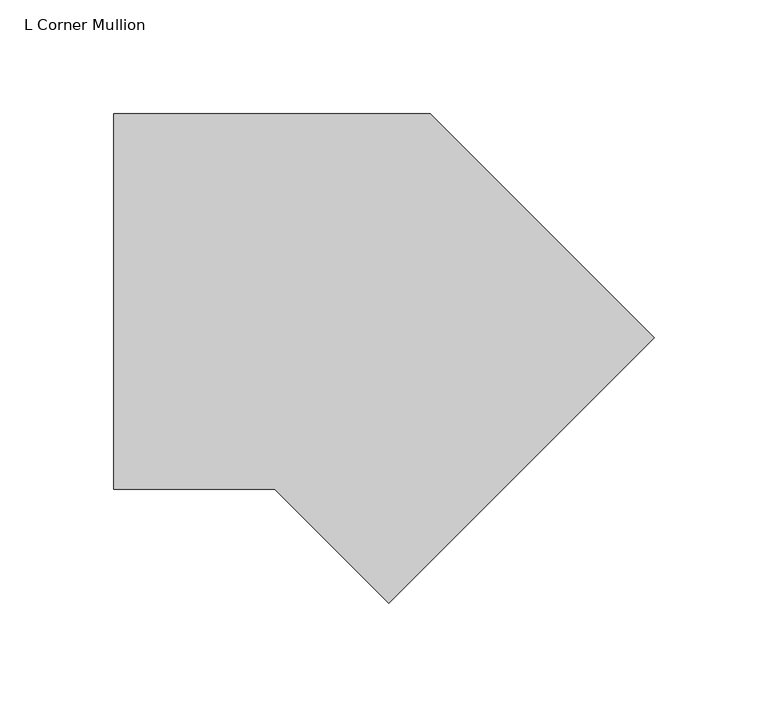
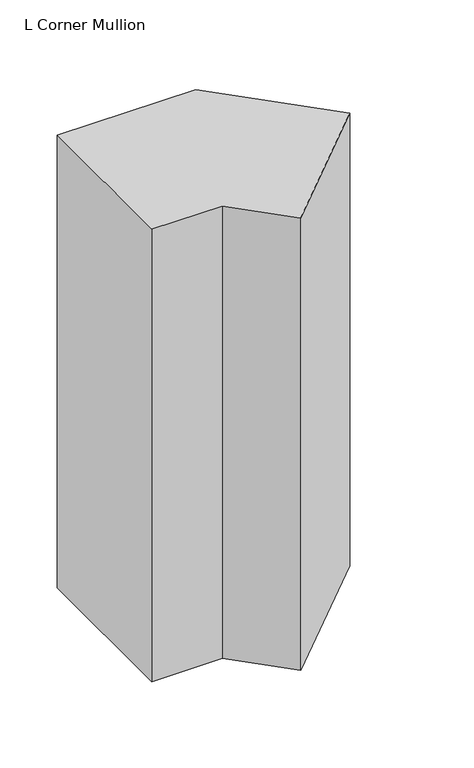
"""IFC4 building model written with IfcOpenShell, lengths in millimetres: member geometry, L Corner Mullion."""

from ifc_helpers import new_model, si_unit, frame, origin, place, context, project, spatial, polyline, outline, extrude, source, transform, mapped, element, save


def l_corner_mullion_fb3de981(model_context):
    return source(origin(), model_context, "Body", "SweptSolid", [
        extrude(outline(polyline([(44.8587403, -62.8192525), (-5.2605122, -12.7), (-76.1398389, -12.7), (-76.1398389, 152.4), (63.1261469, 152.4), (161.6020699, 53.924077), (44.8587403, -62.8192525)])), frame((0.0, 0.0, -482.1103332), z_axis=(0.0, 0.0, 1.0), x_axis=(1.0, 0.0, 0.0)), (0.0, 0.0, 1.0), 482.1103332),
    ])


if __name__ == "__main__":
    model = new_model("IFC4")
    model_context = context("Model", 3, world=origin())
    ifc_project = project(units=[si_unit("LENGTHUNIT", "METRE", prefix="MILLI")], contexts=[model_context])
    site = spatial("IfcSite", under=ifc_project)
    building = spatial("IfcBuilding", under=site)
    placement = place(None, origin())
    l_corner_mullion_shape = l_corner_mullion_fb3de981(model_context)
    element("IfcMember", 1, ObjectType="L Corner Mullion", at=placement, inside=building, context=model_context, shape_type="MappedRepresentation", body=[
        mapped(l_corner_mullion_shape, transform((0.0, 0.0, 0.0), x_axis=(1.0, 0.0, 0.0), y_axis=(0.0, 1.0, 0.0), z_axis=(0.0, 0.0, 1.0))),
    ])
    save(model, "model.ifc")
